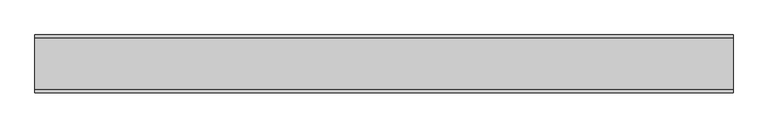
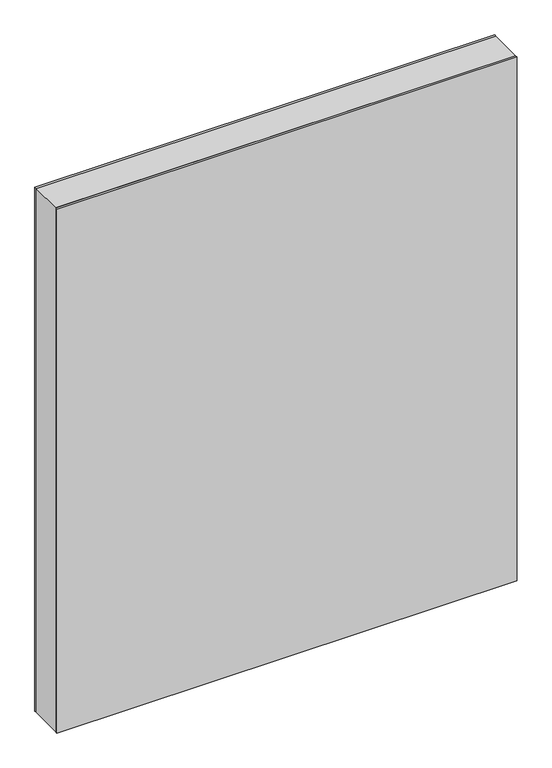
"""IFC4 building model written with IfcOpenShell, lengths in millimetres: plate geometry."""

from ifc_helpers import new_model, si_unit, frame, origin, origin_with_axes, place, context, project, spatial, polyline, outline, extrude, source, transform, mapped, element, save


def plate_69d89425(model_context):
    return source(origin(), model_context, "Body", "SweptSolid", [
        extrude(outline(polyline([(1450.25, -602.4374999), (0.0, -602.4374999), (0.0, 602.4374999), (1450.25, 602.4374999), (1450.25, -602.4374999)]), holes=[polyline([(1449.25, -601.4374999), (1449.25, 601.4374999), (1.0, 601.4374999), (1.0, -601.4374999), (1449.25, -601.4374999)])]), frame((0.0, -44.0, 0.0), z_axis=(0.0, 1.0, 0.0), x_axis=(0.0, 0.0, 1.0)), (0.0, 0.0, 1.0), 88.0),
        extrude(outline(polyline([(602.4374999, 44.0), (-602.4374999, 44.0), (-602.4374999, 50.0), (602.4374999, 50.0), (602.4374999, 44.0)])), origin_with_axes(), (0.0, 0.0, 1.0), 1450.25),
        extrude(outline(polyline([(-602.4374999, -50.0), (-602.4374999, -44.0), (602.4374999, -44.0), (602.4374999, -50.0), (-602.4374999, -50.0)])), origin_with_axes(), (0.0, 0.0, 1.0), 1450.25),
    ])


if __name__ == "__main__":
    model = new_model("IFC4")
    model_context = context("Model", 3, world=origin())
    ifc_project = project(units=[si_unit("LENGTHUNIT", "METRE", prefix="MILLI")], contexts=[model_context])
    site = spatial("IfcSite", under=ifc_project)
    building = spatial("IfcBuilding", under=site)
    placement = place(None, origin())
    plate_shape = plate_69d89425(model_context)
    element("IfcPlate", 1, at=placement, inside=building, context=model_context, shape_type="MappedRepresentation", body=[
        mapped(plate_shape, transform((0.0, 0.0, 0.0), x_axis=(1.0, 0.0, 0.0), y_axis=(0.0, 1.0, 0.0), z_axis=(0.0, 0.0, 1.0))),
    ])
    save(model, "model.ifc")
